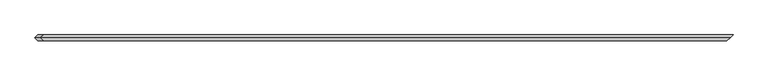
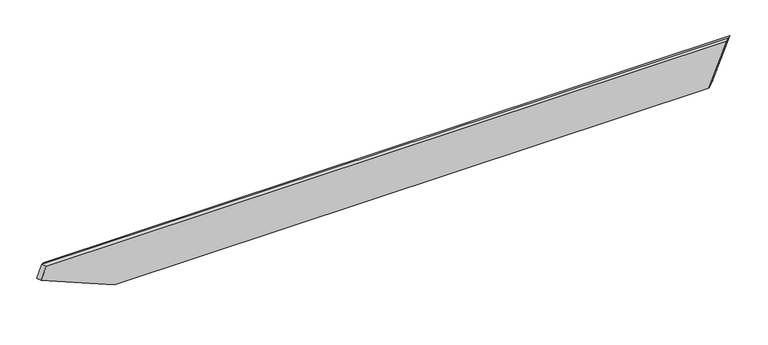
"""IFC4 building model written with IfcOpenShell, lengths in millimetres: beam geometry."""

from ifc_helpers import new_model, si_unit, origin, place, context, project, spatial, faceted_brep, source, transform, mapped, element, save


def beam_df467323(model_context):
    return source(origin(), model_context, "Body", "Brep", [
        faceted_brep([(2177.1341587, 19.05, -132.840332), (-1692.7906576, 19.05, -132.840332), (-2165.142523, 19.05, 61.9948721), (-2130.6383455, 19.05, 145.6456306), (2292.0037578, 19.05, 145.6456306), (-1692.7906576, -19.05, -132.840332), (2135.9202617, -19.05, -132.840332), (2250.7898607, -19.05, 145.6456306), (-2130.6383455, -19.05, 145.6456306), (-2165.142523, -19.05, 61.9948721), (-2182.753209, 0.0, 69.2589095), (-2148.2490315, 0.0, 152.909668), (2274.3930718, 0.0, 152.909668)], [[[0, 1, 2, 3, 4]], [[5, 6, 7, 8, 9]], [[0, 6, 5, 1]], [[2, 1, 5, 9, 10]], [[11, 10, 9, 8]], [[10, 11, 3, 2]], [[6, 0, 4, 12, 7]], [[8, 7, 12, 11]], [[4, 3, 11, 12]]]),
    ])


if __name__ == "__main__":
    model = new_model("IFC4")
    model_context = context("Model", 3, world=origin())
    ifc_project = project(units=[si_unit("LENGTHUNIT", "METRE", prefix="MILLI")], contexts=[model_context])
    site = spatial("IfcSite", under=ifc_project)
    building = spatial("IfcBuilding", under=site)
    placement = place(None, origin())
    beam_shape = beam_df467323(model_context)
    element("IfcBeam", 1, at=placement, inside=building, context=model_context, shape_type="MappedRepresentation", body=[
        mapped(beam_shape, transform((0.0, 0.0, 0.0), x_axis=(1.0, 0.0, 0.0), y_axis=(0.0, 1.0, 0.0), z_axis=(0.0, 0.0, 1.0))),
    ])
    save(model, "model.ifc")
